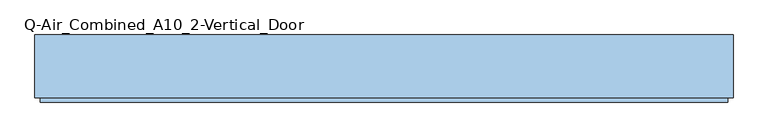
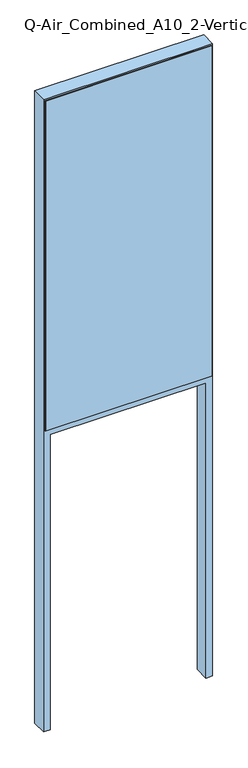
"""IFC4 building model written with IfcOpenShell, lengths in millimetres: window geometry, Q-Air_Combined_A10_2-Vertical_Door."""

import ifcopenshell
import ifcopenshell.guid

model = None  # the IFC model being written
_history = None  # IfcOwnerHistory: only IFC2X3 demands one
_inside = {}  # id of a spatial element -> (the spatial element, [elements in it])
_under = {}  # id of a project, library or spatial element -> (it, [spatial elements below it])
_declared = {}  # id of a project -> (the project, [libraries it declares])
_typed = {}  # id of a type object -> (the type object, [elements of that type])
_made_of = {}  # id of a material, layer set ... -> (it, [elements and type objects made of it])


def new_model(schema):
    """Start an empty IFC model of exactly this schema.

    Asked for "IFC4X3", IfcOpenShell would pick the latest addendum, in which some entities
    have other attributes; the version numbers below select the first issue.
    IFC2X3 requires an IfcOwnerHistory on every rooted entity: one is made here for all.
    """
    global model, _history
    if schema == "IFC4X3":
        model = ifcopenshell.file(schema_version=(4, 3, 0, 0))
    else:
        model = ifcopenshell.file(schema=schema)
    _inside.clear()
    _under.clear()
    _declared.clear()
    _typed.clear()
    _made_of.clear()
    _history = None
    if model.schema == "IFC2X3":
        org = make("IfcOrganization", Name="unknown")
        user = make(
            "IfcPersonAndOrganization",
            ThePerson=make("IfcPerson", FamilyName="unknown"),
            TheOrganization=org,
        )
        app = make(
            "IfcApplication",
            ApplicationDeveloper=org,
            Version="unknown",
            ApplicationFullName="unknown",
            ApplicationIdentifier="unknown",
        )
        _history = make(
            "IfcOwnerHistory",
            OwningUser=user,
            OwningApplication=app,
            ChangeAction="ADDED",
            CreationDate=0,
        )
    return model


def make(cls, **values):
    """One entity of the class cls with the attributes given. An attribute that is None is left unset."""
    return model.create_entity(
        cls, **{name: value for name, value in values.items() if value is not None}
    )


def rooted(cls, **values):
    """An entity with a GlobalId (a new one), such as an element, a storey or a relation."""
    return make(cls, GlobalId=ifcopenshell.guid.new(), OwnerHistory=_history, **values)


def si_unit(unit_type, name, prefix=None):
    """IfcSIUnit, for example si_unit("LENGTHUNIT", "METRE", prefix="MILLI")."""
    return make("IfcSIUnit", UnitType=unit_type, Prefix=prefix, Name=name)


def assignment(units):
    """IfcUnitAssignment: the units of a project."""
    return None if units is None else make("IfcUnitAssignment", Units=units)


def point(xyz):
    """IfcCartesianPoint."""
    return None if xyz is None else make("IfcCartesianPoint", Coordinates=xyz)


def direction(xyz):
    """IfcDirection."""
    return None if xyz is None else make("IfcDirection", DirectionRatios=xyz)


def frame(location, z_axis=None, x_axis=None):
    """IfcAxis2Placement3D, a coordinate frame: its origin and axes. An axis left out is left unset."""
    return make(
        "IfcAxis2Placement3D",
        Location=point(location),
        Axis=direction(z_axis),
        RefDirection=direction(x_axis),
    )


def origin():
    """The frame at (0, 0, 0) with its axes left unset."""
    return frame((0.0, 0.0, 0.0))


def place(relative_to, where):
    """IfcLocalPlacement: puts the frame where relative to a parent placement (None: the world)."""
    return make(
        "IfcLocalPlacement", PlacementRelTo=relative_to, RelativePlacement=where
    )


def context(
    kind, dimensions, precision=None, world=None, true_north=None, identifier=None
):
    """IfcGeometricRepresentationContext, for example the 3D "Model" context."""
    return make(
        "IfcGeometricRepresentationContext",
        ContextIdentifier=identifier,
        ContextType=kind,
        CoordinateSpaceDimension=dimensions,
        Precision=precision,
        WorldCoordinateSystem=world,
        TrueNorth=true_north,
    )


def project(units=None, contexts=None):
    """IfcProject with its units and contexts."""
    return rooted(
        "IfcProject",
        Name="project",
        RepresentationContexts=contexts,
        UnitsInContext=assignment(units),
    )


def spatial(cls, under=None, at=None, **own):
    """A site, building, storey or space (cls), placed at a placement, below another one or the project."""
    s = rooted(cls, ObjectPlacement=at, **own)
    if under is not None:
        _under.setdefault(under.id(), (under, []))[1].append(s)
    return s


def polyline(points):
    """IfcPolyline through the points."""
    return make("IfcPolyline", Points=[point(p) for p in points])


def outline(outer, holes=None, kind="AREA"):
    """IfcArbitraryClosedProfileDef: a profile drawn as a closed curve; with holes, ...WithVoids."""
    if holes is None:
        return make("IfcArbitraryClosedProfileDef", ProfileType=kind, OuterCurve=outer)
    return make(
        "IfcArbitraryProfileDefWithVoids",
        ProfileType=kind,
        OuterCurve=outer,
        InnerCurves=holes,
    )


def extrude(swept, where, along, depth):
    """IfcExtrudedAreaSolid: the profile swept, set in the frame where, extruded along a direction by depth."""
    return make(
        "IfcExtrudedAreaSolid",
        SweptArea=swept,
        Position=where,
        ExtrudedDirection=direction(along),
        Depth=depth,
    )


def shape(context_of_items, identifier, shape_type, items):
    """IfcShapeRepresentation: the items that make up one representation, for example the "Body"."""
    return make(
        "IfcShapeRepresentation",
        ContextOfItems=context_of_items,
        RepresentationIdentifier=identifier,
        RepresentationType=shape_type,
        Items=items,
    )


def source(mapping_origin, context_of_items, identifier, shape_type, items):
    """IfcRepresentationMap: a shape defined once, which mapped items show again and again."""
    return make(
        "IfcRepresentationMap",
        MappingOrigin=mapping_origin,
        MappedRepresentation=shape(context_of_items, identifier, shape_type, items),
    )


def transform(
    local_origin,
    x_axis=None,
    y_axis=None,
    z_axis=None,
    scale=None,
    scale2=None,
    scale3=None,
    uniform=True,
):
    """IfcCartesianTransformationOperator3D, or its non-uniform kind. x_axis, y_axis, z_axis: its Axis1, 2, 3."""
    if uniform:
        return make(
            "IfcCartesianTransformationOperator3D",
            Axis1=direction(x_axis),
            Axis2=direction(y_axis),
            LocalOrigin=point(local_origin),
            Scale=scale,
            Axis3=direction(z_axis),
        )
    return make(
        "IfcCartesianTransformationOperator3DnonUniform",
        Axis1=direction(x_axis),
        Axis2=direction(y_axis),
        LocalOrigin=point(local_origin),
        Scale=scale,
        Axis3=direction(z_axis),
        Scale2=scale2,
        Scale3=scale3,
    )


def mapped(mapping_source, mapping_target):
    """IfcMappedItem: shows the shape of a source again, moved by a transform."""
    return make(
        "IfcMappedItem", MappingSource=mapping_source, MappingTarget=mapping_target
    )


def made_of(thing, what):
    """Note that an element or type object is made of a material, layer set ...; save() writes the relation."""
    if what is not None:
        _made_of.setdefault(what.id(), (what, []))[1].append(thing)
    return thing


def element(
    cls,
    number,
    at=None,
    inside=None,
    cuts=None,
    type_object=None,
    material=None,
    context=None,
    identifier="Body",
    shape_type=None,
    held_by="IfcProductDefinitionShape",
    body=None,
    shapes=None,
    **own,
):
    """One element of the class cls, such as IfcWall. Its Tag is "e" and its number.

    at: its placement. inside: the storey or other place that contains it. cuts: it is an
    opening in that element (IfcRelVoidsElement). A single representation is given by context,
    identifier, shape_type and body (its items); several are given by shapes. held_by: the class
    of the entity that holds the representations. save() writes the other relations.
    """
    e = rooted(cls, Tag="e%d" % number, ObjectPlacement=at, **own)
    if body is not None:
        shapes = [shape(context, identifier, shape_type, body)]
    if shapes is not None:
        e.Representation = make(held_by, Representations=shapes)
    if inside is not None:
        _inside.setdefault(inside.id(), (inside, []))[1].append(e)
    if cuts is not None:
        rooted(
            "IfcRelVoidsElement", RelatingBuildingElement=cuts, RelatedOpeningElement=e
        )
    if type_object is not None:
        _typed.setdefault(type_object.id(), (type_object, []))[1].append(e)
    return made_of(e, material)


def aggregate(whole, parts):
    """IfcRelAggregates: a whole, such as a stair, and the parts it consists of."""
    return rooted("IfcRelAggregates", RelatingObject=whole, RelatedObjects=parts)


def save(model, path):
    """Write the relations noted so far, then the file.

    IfcRelAggregates (storeys below a building ...), IfcRelContainedInSpatialStructure (elements
    in a storey), IfcRelDefinesByType, IfcRelAssociatesMaterial and IfcRelDeclares: one each for
    every whole, place, type object, material and project.
    """
    for whole, parts in _under.values():
        aggregate(whole, parts)
    for where, things in _inside.values():
        rooted(
            "IfcRelContainedInSpatialStructure",
            RelatedElements=things,
            RelatingStructure=where,
        )
    for kind, things in _typed.values():
        rooted("IfcRelDefinesByType", RelatedObjects=things, RelatingType=kind)
    for what, things in _made_of.values():
        rooted("IfcRelAssociatesMaterial", RelatedObjects=things, RelatingMaterial=what)
    for by, libraries in _declared.values():
        rooted("IfcRelDeclares", RelatingContext=by, RelatedDefinitions=libraries)
    model.write(path)


def q_air_combined_a10_2_vertical_door_5d3950ca(model_context):
    return source(origin(), model_context, "Body", "SweptSolid", [
        extrude(outline(polyline([(-577.0, -12.5), (-577.0, 0.0), (577.0, 0.0), (577.0, -12.5), (-577.0, -12.5)])), frame((0.0, 0.0, 2390.0), z_axis=(0.0, 0.0, 1.0), x_axis=(1.0, 0.0, 0.0)), (0.0, 0.0, 1.0), 2572.0),
        extrude(outline(polyline([(-625.0, -122.5), (-625.0, -114.5), (625.0, -114.5), (625.0, -122.5), (-625.0, -122.5)])), frame((0.0, 0.0, 2390.0), z_axis=(0.0, 0.0, 1.0), x_axis=(1.0, 0.0, 0.0)), (0.0, 0.0, 1.0), 2620.0),
        extrude(outline(polyline([(2343.5, -586.0), (2343.5, 586.0), (0.0, 586.0), (0.0, 635.0), (5020.0, 635.0), (5020.0, -635.0), (0.0, -635.0), (0.0, -586.0), (2343.5, -586.0)]), holes=[polyline([(4962.0, 577.0), (2390.0, 577.0), (2390.0, -577.0), (4962.0, -577.0), (4962.0, 577.0)])]), frame((0.0, -114.5, 0.0), z_axis=(0.0, 1.0, 0.0), x_axis=(0.0, 0.0, 1.0)), (0.0, 0.0, 1.0), 114.5),
        extrude(outline(polyline([(5010.0, 625.0), (5010.0, -625.0), (2390.0, -625.0), (2390.0, -577.0), (4962.0, -577.0), (4962.0, 577.0), (2390.0, 577.0), (2390.0, 625.0), (5010.0, 625.0)])), frame((0.0, -118.5, 0.0), z_axis=(0.0, 1.0, 0.0), x_axis=(0.0, 0.0, 1.0)), (0.0, 0.0, 1.0), 4.0),
    ])


if __name__ == "__main__":
    model = new_model("IFC4")
    model_context = context("Model", 3, world=origin())
    ifc_project = project(units=[si_unit("LENGTHUNIT", "METRE", prefix="MILLI")], contexts=[model_context])
    site = spatial("IfcSite", under=ifc_project)
    building = spatial("IfcBuilding", under=site)
    placement = place(None, origin())
    q_air_combined_a10_2_vertical_door_shape = q_air_combined_a10_2_vertical_door_5d3950ca(model_context)
    element("IfcWindow", 1, ObjectType="Q-Air_Combined_A10_2-Vertical_Door", at=placement, inside=building, context=model_context, shape_type="MappedRepresentation", body=[
        mapped(q_air_combined_a10_2_vertical_door_shape, transform((0.0, 0.0, 0.0), x_axis=(1.0, 0.0, 0.0), y_axis=(0.0, 1.0, 0.0), z_axis=(0.0, 0.0, 1.0))),
    ])
    save(model, "model.ifc")
